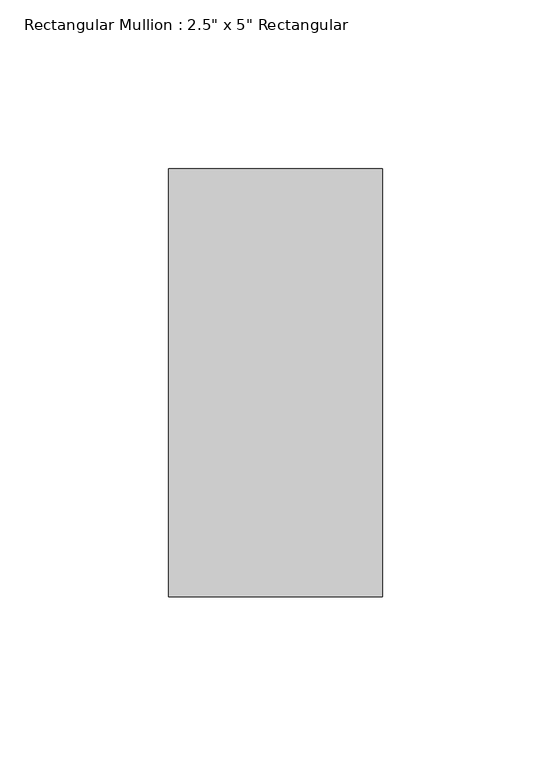
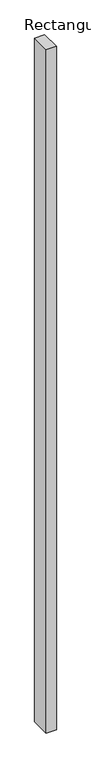
"""IFC4 building model written with IfcOpenShell, lengths in millimetres: member geometry."""

from ifc_helpers import new_model, si_unit, frame, origin, place, context, project, spatial, polyline, outline, extrude, source, transform, mapped, element, save


def member_f45ed37e(model_context):
    return source(origin(), model_context, "Body", "SweptSolid", [
        extrude(outline(polyline([(0.0, 63.5), (0.0, -63.5), (-63.5, -63.5), (-63.5, 63.5), (0.0, 63.5)])), frame((0.0, 0.0, -4578.35), z_axis=(0.0, 0.0, 1.0), x_axis=(1.0, 0.0, 0.0)), (0.0, 0.0, 1.0), 4578.35),
    ])


if __name__ == "__main__":
    model = new_model("IFC4")
    model_context = context("Model", 3, world=origin())
    ifc_project = project(units=[si_unit("LENGTHUNIT", "METRE", prefix="MILLI")], contexts=[model_context])
    site = spatial("IfcSite", under=ifc_project)
    building = spatial("IfcBuilding", under=site)
    placement = place(None, origin())
    member_shape = member_f45ed37e(model_context)
    element("IfcMember", 1, ObjectType="Rectangular Mullion : 2.5\" x 5\" Rectangular", at=placement, inside=building, context=model_context, shape_type="MappedRepresentation", body=[
        mapped(member_shape, transform((0.0, 0.0, 0.0), x_axis=(1.0, 0.0, 0.0), y_axis=(0.0, 1.0, 0.0), z_axis=(0.0, 0.0, 1.0))),
    ])
    save(model, "model.ifc")
